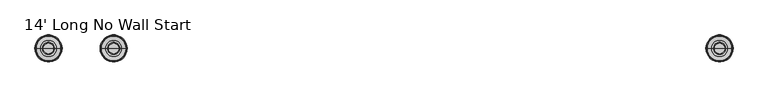
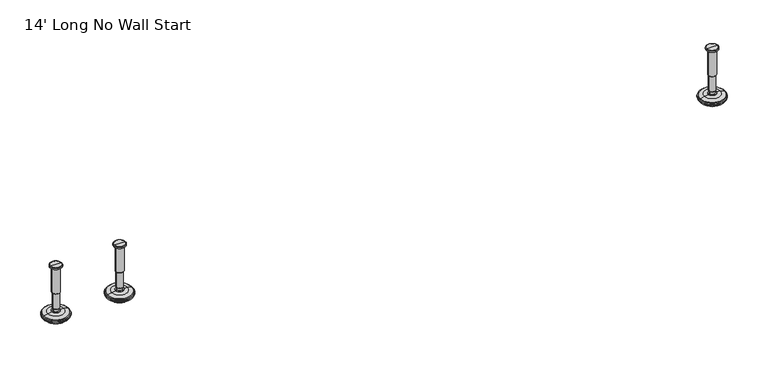
"""IFC4 building model written with IfcOpenShell, lengths in millimetres: furniture geometry, 14' Long No Wall Start."""

from ifc_helpers import new_model, si_unit, frame, origin, place, context, project, spatial, polyline, circle_curve, source, transform, mapped, element, save
from ifc_brep_helpers import plane_surface, cylinder_surface, revolved_surface, advanced_brep


def furniture_14_long_no_wall_start_71ae9f6e(model_context):
    return source(origin(), model_context, "Body", "AdvancedBrep", [
        advanced_brep(
        [(1009.4635677, 0.0, 101.6), (1018.4414891, 0.0, 101.6), (1000.4856463, 0.0, 101.6), (995.3593278, 0.0, 0.0206943), (1023.5678076, 0.0, 0.0206943), (1009.4635677, 0.0, 0.0206943), (990.481296, 0.0, 1.4194474), (1028.4458394, 0.0, 1.4194474), (986.719381, 0.0, 4.7394056), (1032.2077544, 0.0, 4.7394056), (985.6019314, 0.0, 7.5051905), (1033.325204, 0.0, 7.5051905), (985.6019314, 0.0, 8.3065967), (1033.325204, 0.0, 8.3065967), (986.4443346, 0.0, 9.8469348), (1032.4828008, 0.0, 9.8469348), (987.5444772, 0.0, 10.8375077), (1031.3826582, 0.0, 10.8375077), (994.8481724, 0.0, 12.7338946), (1024.078963, 0.0, 12.7338946), (1002.2663238, 0.0, 13.3828987), (1016.6608116, 0.0, 13.3828987), (1002.2663238, 0.0, 14.1772758), (1016.6608116, 0.0, 14.1772758), (1004.6631166, 0.0, 14.1772758), (1014.2640188, 0.0, 14.1772758), (1004.6631166, 0.0, 18.8098403), (1014.2640188, 0.0, 18.8098403), (1003.647264, 0.0, 19.8256929), (1015.2798714, 0.0, 19.8256929), (1003.647264, 0.0, 48.3056352), (1015.2798714, 0.0, 48.3056352), (1002.4237361, 0.0, 49.9293116), (1016.5033993, 0.0, 49.9293116), (1002.4237361, 0.0, 97.327223), (1016.5033993, 0.0, 97.327223), (1001.5426317, 0.0, 97.6479188), (1017.3845037, 0.0, 97.6479188), (1000.4936428, 0.0, 97.6479188), (1018.4334926, 0.0, 97.6479188), (998.8286129, 0.0, 98.6092242), (1020.0985225, 0.0, 98.6092242), (998.8286129, 0.0, 100.6043539), (1020.0985225, 0.0, 100.6043539)],
        [
            (0, 1),
            (1, 2, circle_curve(frame((1009.4635677, 0.0, 101.6), z_axis=(0.0, 0.0, 1.0), x_axis=(1.0, 0.0, 0.0)), 8.9779214)),
            (2, 0),
            (2, 1, circle_curve(frame((1009.4635677, 0.0, 101.6), z_axis=(0.0, 0.0, 1.0), x_axis=(1.0, 0.0, 0.0)), 8.9779214)),
            (3, 4, circle_curve(frame((1009.4635677, 0.0, 0.0206943), z_axis=(0.0, 0.0, -1.0), x_axis=(1.0, 0.0, 0.0)), 14.1042399)),
            (4, 5),
            (5, 3),
            (4, 3, circle_curve(frame((1009.4635677, 0.0, 0.0206943), z_axis=(0.0, 0.0, -1.0), x_axis=(1.0, 0.0, 0.0)), 14.1042399)),
            (6, 7, circle_curve(frame((1009.4635677, 0.0, 1.4194474), z_axis=(0.0, 0.0, -1.0), x_axis=(1.0, 0.0, 0.0)), 18.9822717)),
            (7, 4),
            (3, 6),
            (7, 6, circle_curve(frame((1009.4635677, 0.0, 1.4194474), z_axis=(0.0, 0.0, -1.0), x_axis=(1.0, 0.0, 0.0)), 18.9822717)),
            (8, 9, circle_curve(frame((1009.4635677, 0.0, 4.7394056), z_axis=(0.0, 0.0, -1.0), x_axis=(1.0, 0.0, 0.0)), 22.7441867)),
            (9, 7),
            (6, 8),
            (9, 8, circle_curve(frame((1009.4635677, 0.0, 4.7394056), z_axis=(0.0, 0.0, -1.0), x_axis=(1.0, 0.0, 0.0)), 22.7441867)),
            (10, 11, circle_curve(frame((1009.4635677, 0.0, 7.5051905), z_axis=(0.0, 0.0, -1.0), x_axis=(1.0, 0.0, 0.0)), 23.8616363)),
            (11, 9),
            (8, 10),
            (11, 10, circle_curve(frame((1009.4635677, 0.0, 7.5051905), z_axis=(0.0, 0.0, -1.0), x_axis=(1.0, 0.0, 0.0)), 23.8616363)),
            (12, 13, circle_curve(frame((1009.4635677, 0.0, 8.3065967), z_axis=(0.0, 0.0, -1.0), x_axis=(1.0, 0.0, 0.0)), 23.8616363)),
            (13, 11),
            (10, 12),
            (13, 12, circle_curve(frame((1009.4635677, 0.0, 8.3065967), z_axis=(0.0, 0.0, -1.0), x_axis=(1.0, 0.0, 0.0)), 23.8616363)),
            (14, 15, circle_curve(frame((1009.4635677, 0.0, 9.8469348), z_axis=(0.0, 0.0, -1.0), x_axis=(1.0, 0.0, 0.0)), 23.0192331)),
            (15, 13),
            (12, 14),
            (15, 14, circle_curve(frame((1009.4635677, 0.0, 9.8469348), z_axis=(0.0, 0.0, -1.0), x_axis=(1.0, 0.0, 0.0)), 23.0192331)),
            (16, 17, circle_curve(frame((1009.4635677, 0.0, 10.8375077), z_axis=(0.0, 0.0, -1.0), x_axis=(1.0, 0.0, 0.0)), 21.9190905)),
            (17, 15),
            (14, 16),
            (17, 16, circle_curve(frame((1009.4635677, 0.0, 10.8375077), z_axis=(0.0, 0.0, -1.0), x_axis=(1.0, 0.0, 0.0)), 21.9190905)),
            (18, 19, circle_curve(frame((1009.4635677, 0.0, 12.7338946), z_axis=(0.0, 0.0, -1.0), x_axis=(1.0, 0.0, 0.0)), 14.6153953)),
            (19, 17),
            (16, 18),
            (19, 18, circle_curve(frame((1009.4635677, 0.0, 12.7338946), z_axis=(0.0, 0.0, -1.0), x_axis=(1.0, 0.0, 0.0)), 14.6153953)),
            (20, 21, circle_curve(frame((1009.4635677, 0.0, 13.3828987), z_axis=(0.0, 0.0, -1.0), x_axis=(1.0, 0.0, 0.0)), 7.1972439)),
            (21, 19),
            (18, 20),
            (21, 20, circle_curve(frame((1009.4635677, 0.0, 13.3828987), z_axis=(0.0, 0.0, -1.0), x_axis=(1.0, 0.0, 0.0)), 7.1972439)),
            (22, 23, circle_curve(frame((1009.4635677, 0.0, 14.1772758), z_axis=(0.0, 0.0, -1.0), x_axis=(1.0, 0.0, 0.0)), 7.1972439)),
            (23, 21),
            (20, 22),
            (23, 22, circle_curve(frame((1009.4635677, 0.0, 14.1772758), z_axis=(0.0, 0.0, -1.0), x_axis=(1.0, 0.0, 0.0)), 7.1972439)),
            (24, 25, circle_curve(frame((1009.4635677, 0.0, 14.1772758), z_axis=(0.0, 0.0, -1.0), x_axis=(1.0, 0.0, 0.0)), 4.8004511)),
            (25, 23),
            (22, 24),
            (25, 24, circle_curve(frame((1009.4635677, 0.0, 14.1772758), z_axis=(0.0, 0.0, -1.0), x_axis=(1.0, 0.0, 0.0)), 4.8004511)),
            (26, 27, circle_curve(frame((1009.4635677, 0.0, 18.8098403), z_axis=(0.0, 0.0, -1.0), x_axis=(1.0, 0.0, 0.0)), 4.8004511)),
            (27, 25),
            (24, 26),
            (27, 26, circle_curve(frame((1009.4635677, 0.0, 18.8098403), z_axis=(0.0, 0.0, -1.0), x_axis=(1.0, 0.0, 0.0)), 4.8004511)),
            (28, 29, circle_curve(frame((1009.4635677, 0.0, 19.8256929), z_axis=(0.0, 0.0, -1.0), x_axis=(1.0, 0.0, 0.0)), 5.8163037)),
            (29, 27),
            (26, 28),
            (29, 28, circle_curve(frame((1009.4635677, 0.0, 19.8256929), z_axis=(0.0, 0.0, -1.0), x_axis=(1.0, 0.0, 0.0)), 5.8163037)),
            (30, 31, circle_curve(frame((1009.4635677, 0.0, 48.3056352), z_axis=(0.0, 0.0, -1.0), x_axis=(1.0, 0.0, 0.0)), 5.8163037)),
            (31, 29),
            (28, 30),
            (31, 30, circle_curve(frame((1009.4635677, 0.0, 48.3056352), z_axis=(0.0, 0.0, -1.0), x_axis=(1.0, 0.0, 0.0)), 5.8163037)),
            (32, 33, circle_curve(frame((1009.4635677, 0.0, 49.9293116), z_axis=(0.0, 0.0, -1.0), x_axis=(1.0, 0.0, 0.0)), 7.0398316)),
            (33, 31),
            (30, 32),
            (33, 32, circle_curve(frame((1009.4635677, 0.0, 49.9293116), z_axis=(0.0, 0.0, -1.0), x_axis=(1.0, 0.0, 0.0)), 7.0398316)),
            (34, 35, circle_curve(frame((1009.4635677, 0.0, 97.327223), z_axis=(0.0, 0.0, -1.0), x_axis=(1.0, 0.0, 0.0)), 7.0398316)),
            (35, 33),
            (32, 34),
            (35, 34, circle_curve(frame((1009.4635677, 0.0, 97.327223), z_axis=(0.0, 0.0, -1.0), x_axis=(1.0, 0.0, 0.0)), 7.0398316)),
            (36, 37, circle_curve(frame((1009.4635677, 0.0, 97.6479188), z_axis=(0.0, 0.0, -1.0), x_axis=(1.0, 0.0, 0.0)), 7.920936)),
            (37, 35),
            (34, 36),
            (37, 36, circle_curve(frame((1009.4635677, 0.0, 97.6479188), z_axis=(0.0, 0.0, -1.0), x_axis=(1.0, 0.0, 0.0)), 7.920936)),
            (38, 39, circle_curve(frame((1009.4635677, 0.0, 97.6479188), z_axis=(0.0, 0.0, -1.0), x_axis=(1.0, 0.0, 0.0)), 8.9699249)),
            (39, 37),
            (36, 38),
            (39, 38, circle_curve(frame((1009.4635677, 0.0, 97.6479188), z_axis=(0.0, 0.0, -1.0), x_axis=(1.0, 0.0, 0.0)), 8.9699249)),
            (40, 41, circle_curve(frame((1009.4635677, 0.0, 98.6092242), z_axis=(0.0, 0.0, -1.0), x_axis=(1.0, 0.0, 0.0)), 10.6349548)),
            (41, 39),
            (38, 40),
            (41, 40, circle_curve(frame((1009.4635677, 0.0, 98.6092242), z_axis=(0.0, 0.0, -1.0), x_axis=(1.0, 0.0, 0.0)), 10.6349548)),
            (42, 43, circle_curve(frame((1009.4635677, 0.0, 100.6043539), z_axis=(0.0, 0.0, -1.0), x_axis=(1.0, 0.0, 0.0)), 10.6349548)),
            (43, 41),
            (40, 42),
            (43, 42, circle_curve(frame((1009.4635677, 0.0, 100.6043539), z_axis=(0.0, 0.0, -1.0), x_axis=(1.0, 0.0, 0.0)), 10.6349548)),
            (1, 43),
            (42, 2),
        ],
        [
            plane_surface(frame((1009.4635677, 0.0, 101.6), z_axis=(0.0, 0.0, 1.0), x_axis=(1.0, 0.0, 0.0))),
            plane_surface(frame((1009.4635677, 0.0, 0.0206943), z_axis=(0.0, 0.0, -1.0), x_axis=(1.0, 0.0, 0.0))),
            revolved_surface(polyline([(1023.5678076, 0.0, 0.0206943), (1028.4458394, 0.0, 1.4194474)]), (1009.4635677, 0.0, 101.6), (0.0, 0.0, 1.0)),
            revolved_surface(polyline([(1028.4458394, 0.0, 1.4194474), (1032.2077544, 0.0, 4.7394056)]), (1009.4635677, 0.0, 101.6), (0.0, 0.0, 1.0)),
            revolved_surface(polyline([(1032.2077544, 0.0, 4.7394056), (1033.325204, 0.0, 7.5051905)]), (1009.4635677, 0.0, 101.6), (0.0, 0.0, 1.0)),
            cylinder_surface(frame((1009.4635677, 0.0, 101.6), z_axis=(0.0, 0.0, 1.0), x_axis=(1.0, 0.0, 0.0)), 23.8616363),
            revolved_surface(polyline([(1033.325204, 0.0, 8.3065967), (1032.4828008, 0.0, 9.8469348)]), (1009.4635677, 0.0, 101.6), (0.0, 0.0, 1.0)),
            revolved_surface(polyline([(1032.4828008, 0.0, 9.8469348), (1031.3826582, 0.0, 10.8375077)]), (1009.4635677, 0.0, 101.6), (0.0, 0.0, 1.0)),
            revolved_surface(polyline([(1031.3826582, 0.0, 10.8375077), (1024.078963, 0.0, 12.7338946)]), (1009.4635677, 0.0, 101.6), (0.0, 0.0, 1.0)),
            revolved_surface(polyline([(1024.078963, 0.0, 12.7338946), (1016.6608116, 0.0, 13.3828987)]), (1009.4635677, 0.0, 101.6), (0.0, 0.0, 1.0)),
            cylinder_surface(frame((1009.4635677, 0.0, 101.6), z_axis=(0.0, 0.0, 1.0), x_axis=(1.0, 0.0, 0.0)), 7.1972439),
            plane_surface(frame((1009.4635677, 0.0, 14.1772758), z_axis=(0.0, 0.0, 1.0), x_axis=(1.0, 0.0, 0.0))),
            cylinder_surface(frame((1009.4635677, 0.0, 101.6), z_axis=(0.0, 0.0, 1.0), x_axis=(1.0, 0.0, 0.0)), 4.8004511),
            revolved_surface(polyline([(1014.2640188, 0.0, 18.8098403), (1015.2798714, 0.0, 19.8256929)]), (1009.4635677, 0.0, 101.6), (0.0, 0.0, 1.0)),
            cylinder_surface(frame((1009.4635677, 0.0, 101.6), z_axis=(0.0, 0.0, 1.0), x_axis=(1.0, 0.0, 0.0)), 5.8163037),
            revolved_surface(polyline([(1015.2798714, 0.0, 48.3056352), (1016.5033993, 0.0, 49.9293116)]), (1009.4635677, 0.0, 101.6), (0.0, 0.0, 1.0)),
            cylinder_surface(frame((1009.4635677, 0.0, 101.6), z_axis=(0.0, 0.0, 1.0), x_axis=(1.0, 0.0, 0.0)), 7.0398316),
            revolved_surface(polyline([(1016.5033993, 0.0, 97.327223), (1017.3845037, 0.0, 97.6479188)]), (1009.4635677, 0.0, 101.6), (0.0, 0.0, 1.0)),
            plane_surface(frame((1009.4635677, 0.0, 97.6479188), z_axis=(0.0, 0.0, -1.0), x_axis=(1.0, 0.0, 0.0))),
            revolved_surface(polyline([(1018.4334926, 0.0, 97.6479188), (1020.0985225, 0.0, 98.6092242)]), (1009.4635677, 0.0, 101.6), (0.0, 0.0, 1.0)),
            cylinder_surface(frame((1009.4635677, 0.0, 101.6), z_axis=(0.0, 0.0, 1.0), x_axis=(1.0, 0.0, 0.0)), 10.6349548),
            revolved_surface(polyline([(1020.0985225, 0.0, 100.6043539), (1018.4414891, 0.0, 101.6)]), (1009.4635677, 0.0, 101.6), (0.0, 0.0, 1.0)),
        ],
        [
            (0, [[1, 2, 3]]),
            (0, [[-3, 4, -1]]),
            (1, [[5, 6, 7]]),
            (1, [[8, -7, -6]]),
            (2, [[9, 10, -5, 11]]),
            (2, [[12, -11, -8, -10]]),
            (3, [[13, 14, -9, 15]]),
            (3, [[16, -15, -12, -14]]),
            (4, [[17, 18, -13, 19]]),
            (4, [[20, -19, -16, -18]]),
            (5, [[21, 22, -17, 23]]),
            (5, [[24, -23, -20, -22]]),
            (6, [[25, 26, -21, 27]]),
            (6, [[28, -27, -24, -26]]),
            (7, [[29, 30, -25, 31]]),
            (7, [[32, -31, -28, -30]]),
            (8, [[33, 34, -29, 35]]),
            (8, [[36, -35, -32, -34]]),
            (9, [[37, 38, -33, 39]]),
            (9, [[40, -39, -36, -38]]),
            (10, [[41, 42, -37, 43]]),
            (10, [[44, -43, -40, -42]]),
            (11, [[45, 46, -41, 47]]),
            (11, [[48, -47, -44, -46]]),
            (12, [[49, 50, -45, 51]]),
            (12, [[52, -51, -48, -50]]),
            (13, [[53, 54, -49, 55]]),
            (13, [[56, -55, -52, -54]]),
            (14, [[57, 58, -53, 59]]),
            (14, [[60, -59, -56, -58]]),
            (15, [[61, 62, -57, 63]]),
            (15, [[64, -63, -60, -62]]),
            (16, [[65, 66, -61, 67]]),
            (16, [[68, -67, -64, -66]]),
            (17, [[69, 70, -65, 71]]),
            (17, [[72, -71, -68, -70]]),
            (18, [[73, 74, -69, 75]]),
            (18, [[76, -75, -72, -74]]),
            (19, [[77, 78, -73, 79]]),
            (19, [[80, -79, -76, -78]]),
            (20, [[81, 82, -77, 83]]),
            (20, [[84, -83, -80, -82]]),
            (21, [[-2, 85, -81, 86]]),
            (21, [[-4, -86, -84, -85]]),
        ],
    ),
        advanced_brep(
        [(1124.1364323, 0.0, 101.6), (1133.1143537, 0.0, 101.6), (1115.1585109, 0.0, 101.6), (1138.2406722, 0.0, 0.0206943), (1124.1364323, 0.0, 0.0206943), (1110.0321924, 0.0, 0.0206943), (1143.118704, 0.0, 1.4194474), (1105.1541606, 0.0, 1.4194474), (1146.880619, 0.0, 4.7394056), (1101.3922456, 0.0, 4.7394056), (1147.9980686, 0.0, 7.5051905), (1100.274796, 0.0, 7.5051905), (1147.9980686, 0.0, 8.3065967), (1100.274796, 0.0, 8.3065967), (1147.1556654, 0.0, 9.8469348), (1101.1171992, 0.0, 9.8469348), (1146.0555228, 0.0, 10.8375077), (1102.2173418, 0.0, 10.8375077), (1138.7518276, 0.0, 12.7338946), (1109.521037, 0.0, 12.7338946), (1131.3336762, 0.0, 13.3828987), (1116.9391884, 0.0, 13.3828987), (1131.3336762, 0.0, 14.1772758), (1116.9391884, 0.0, 14.1772758), (1128.9368834, 0.0, 14.1772758), (1119.3359812, 0.0, 14.1772758), (1128.9368834, 0.0, 18.8098403), (1119.3359812, 0.0, 18.8098403), (1129.952736, 0.0, 19.8256929), (1118.3201286, 0.0, 19.8256929), (1129.952736, 0.0, 48.3056352), (1118.3201286, 0.0, 48.3056352), (1131.1762639, 0.0, 49.9293116), (1117.0966007, 0.0, 49.9293116), (1131.1762639, 0.0, 97.327223), (1117.0966007, 0.0, 97.327223), (1132.0573683, 0.0, 97.6479188), (1116.2154963, 0.0, 97.6479188), (1133.1063572, 0.0, 97.6479188), (1115.1665074, 0.0, 97.6479188), (1134.7713871, 0.0, 98.6092242), (1113.5014775, 0.0, 98.6092242), (1134.7713871, 0.0, 100.6043539), (1113.5014775, 0.0, 100.6043539)],
        [
            (0, 1),
            (1, 2, circle_curve(frame((1124.1364323, 0.0, 101.6), z_axis=(0.0, 0.0, 1.0), x_axis=(-1.0, 0.0, 0.0)), 8.9779214)),
            (2, 0),
            (2, 1, circle_curve(frame((1124.1364323, 0.0, 101.6), z_axis=(0.0, 0.0, 1.0), x_axis=(-1.0, 0.0, 0.0)), 8.9779214)),
            (3, 4),
            (4, 5),
            (5, 3, circle_curve(frame((1124.1364323, 0.0, 0.0206943), z_axis=(0.0, 0.0, -1.0), x_axis=(-1.0, 0.0, 0.0)), 14.1042399)),
            (3, 5, circle_curve(frame((1124.1364323, 0.0, 0.0206943), z_axis=(0.0, 0.0, -1.0), x_axis=(-1.0, 0.0, 0.0)), 14.1042399)),
            (6, 3),
            (5, 7),
            (7, 6, circle_curve(frame((1124.1364323, 0.0, 1.4194474), z_axis=(0.0, 0.0, -1.0), x_axis=(-1.0, 0.0, 0.0)), 18.9822717)),
            (6, 7, circle_curve(frame((1124.1364323, 0.0, 1.4194474), z_axis=(0.0, 0.0, -1.0), x_axis=(-1.0, 0.0, 0.0)), 18.9822717)),
            (8, 6),
            (7, 9),
            (9, 8, circle_curve(frame((1124.1364323, 0.0, 4.7394056), z_axis=(0.0, 0.0, -1.0), x_axis=(-1.0, 0.0, 0.0)), 22.7441867)),
            (8, 9, circle_curve(frame((1124.1364323, 0.0, 4.7394056), z_axis=(0.0, 0.0, -1.0), x_axis=(-1.0, 0.0, 0.0)), 22.7441867)),
            (10, 8),
            (9, 11),
            (11, 10, circle_curve(frame((1124.1364323, 0.0, 7.5051905), z_axis=(0.0, 0.0, -1.0), x_axis=(-1.0, 0.0, 0.0)), 23.8616363)),
            (10, 11, circle_curve(frame((1124.1364323, 0.0, 7.5051905), z_axis=(0.0, 0.0, -1.0), x_axis=(-1.0, 0.0, 0.0)), 23.8616363)),
            (12, 10),
            (11, 13),
            (13, 12, circle_curve(frame((1124.1364323, 0.0, 8.3065967), z_axis=(0.0, 0.0, -1.0), x_axis=(-1.0, 0.0, 0.0)), 23.8616363)),
            (12, 13, circle_curve(frame((1124.1364323, 0.0, 8.3065967), z_axis=(0.0, 0.0, -1.0), x_axis=(-1.0, 0.0, 0.0)), 23.8616363)),
            (14, 12),
            (13, 15),
            (15, 14, circle_curve(frame((1124.1364323, 0.0, 9.8469348), z_axis=(0.0, 0.0, -1.0), x_axis=(-1.0, 0.0, 0.0)), 23.0192331)),
            (14, 15, circle_curve(frame((1124.1364323, 0.0, 9.8469348), z_axis=(0.0, 0.0, -1.0), x_axis=(-1.0, 0.0, 0.0)), 23.0192331)),
            (16, 14),
            (15, 17),
            (17, 16, circle_curve(frame((1124.1364323, 0.0, 10.8375077), z_axis=(0.0, 0.0, -1.0), x_axis=(-1.0, 0.0, 0.0)), 21.9190905)),
            (16, 17, circle_curve(frame((1124.1364323, 0.0, 10.8375077), z_axis=(0.0, 0.0, -1.0), x_axis=(-1.0, 0.0, 0.0)), 21.9190905)),
            (18, 16),
            (17, 19),
            (19, 18, circle_curve(frame((1124.1364323, 0.0, 12.7338946), z_axis=(0.0, 0.0, -1.0), x_axis=(-1.0, 0.0, 0.0)), 14.6153953)),
            (18, 19, circle_curve(frame((1124.1364323, 0.0, 12.7338946), z_axis=(0.0, 0.0, -1.0), x_axis=(-1.0, 0.0, 0.0)), 14.6153953)),
            (20, 18),
            (19, 21),
            (21, 20, circle_curve(frame((1124.1364323, 0.0, 13.3828987), z_axis=(0.0, 0.0, -1.0), x_axis=(-1.0, 0.0, 0.0)), 7.1972439)),
            (20, 21, circle_curve(frame((1124.1364323, 0.0, 13.3828987), z_axis=(0.0, 0.0, -1.0), x_axis=(-1.0, 0.0, 0.0)), 7.1972439)),
            (22, 20),
            (21, 23),
            (23, 22, circle_curve(frame((1124.1364323, 0.0, 14.1772758), z_axis=(0.0, 0.0, -1.0), x_axis=(-1.0, 0.0, 0.0)), 7.1972439)),
            (22, 23, circle_curve(frame((1124.1364323, 0.0, 14.1772758), z_axis=(0.0, 0.0, -1.0), x_axis=(-1.0, 0.0, 0.0)), 7.1972439)),
            (24, 22),
            (23, 25),
            (25, 24, circle_curve(frame((1124.1364323, 0.0, 14.1772758), z_axis=(0.0, 0.0, -1.0), x_axis=(-1.0, 0.0, 0.0)), 4.8004511)),
            (24, 25, circle_curve(frame((1124.1364323, 0.0, 14.1772758), z_axis=(0.0, 0.0, -1.0), x_axis=(-1.0, 0.0, 0.0)), 4.8004511)),
            (26, 24),
            (25, 27),
            (27, 26, circle_curve(frame((1124.1364323, 0.0, 18.8098403), z_axis=(0.0, 0.0, -1.0), x_axis=(-1.0, 0.0, 0.0)), 4.8004511)),
            (26, 27, circle_curve(frame((1124.1364323, 0.0, 18.8098403), z_axis=(0.0, 0.0, -1.0), x_axis=(-1.0, 0.0, 0.0)), 4.8004511)),
            (28, 26),
            (27, 29),
            (29, 28, circle_curve(frame((1124.1364323, 0.0, 19.8256929), z_axis=(0.0, 0.0, -1.0), x_axis=(-1.0, 0.0, 0.0)), 5.8163037)),
            (28, 29, circle_curve(frame((1124.1364323, 0.0, 19.8256929), z_axis=(0.0, 0.0, -1.0), x_axis=(-1.0, 0.0, 0.0)), 5.8163037)),
            (30, 28),
            (29, 31),
            (31, 30, circle_curve(frame((1124.1364323, 0.0, 48.3056352), z_axis=(0.0, 0.0, -1.0), x_axis=(-1.0, 0.0, 0.0)), 5.8163037)),
            (30, 31, circle_curve(frame((1124.1364323, 0.0, 48.3056352), z_axis=(0.0, 0.0, -1.0), x_axis=(-1.0, 0.0, 0.0)), 5.8163037)),
            (32, 30),
            (31, 33),
            (33, 32, circle_curve(frame((1124.1364323, 0.0, 49.9293116), z_axis=(0.0, 0.0, -1.0), x_axis=(-1.0, 0.0, 0.0)), 7.0398316)),
            (32, 33, circle_curve(frame((1124.1364323, 0.0, 49.9293116), z_axis=(0.0, 0.0, -1.0), x_axis=(-1.0, 0.0, 0.0)), 7.0398316)),
            (34, 32),
            (33, 35),
            (35, 34, circle_curve(frame((1124.1364323, 0.0, 97.327223), z_axis=(0.0, 0.0, -1.0), x_axis=(-1.0, 0.0, 0.0)), 7.0398316)),
            (34, 35, circle_curve(frame((1124.1364323, 0.0, 97.327223), z_axis=(0.0, 0.0, -1.0), x_axis=(-1.0, 0.0, 0.0)), 7.0398316)),
            (36, 34),
            (35, 37),
            (37, 36, circle_curve(frame((1124.1364323, 0.0, 97.6479188), z_axis=(0.0, 0.0, -1.0), x_axis=(-1.0, 0.0, 0.0)), 7.920936)),
            (36, 37, circle_curve(frame((1124.1364323, 0.0, 97.6479188), z_axis=(0.0, 0.0, -1.0), x_axis=(-1.0, 0.0, 0.0)), 7.920936)),
            (38, 36),
            (37, 39),
            (39, 38, circle_curve(frame((1124.1364323, 0.0, 97.6479188), z_axis=(0.0, 0.0, -1.0), x_axis=(-1.0, 0.0, 0.0)), 8.9699249)),
            (38, 39, circle_curve(frame((1124.1364323, 0.0, 97.6479188), z_axis=(0.0, 0.0, -1.0), x_axis=(-1.0, 0.0, 0.0)), 8.9699249)),
            (40, 38),
            (39, 41),
            (41, 40, circle_curve(frame((1124.1364323, 0.0, 98.6092242), z_axis=(0.0, 0.0, -1.0), x_axis=(-1.0, 0.0, 0.0)), 10.6349548)),
            (40, 41, circle_curve(frame((1124.1364323, 0.0, 98.6092242), z_axis=(0.0, 0.0, -1.0), x_axis=(-1.0, 0.0, 0.0)), 10.6349548)),
            (42, 40),
            (41, 43),
            (43, 42, circle_curve(frame((1124.1364323, 0.0, 100.6043539), z_axis=(0.0, 0.0, -1.0), x_axis=(-1.0, 0.0, 0.0)), 10.6349548)),
            (42, 43, circle_curve(frame((1124.1364323, 0.0, 100.6043539), z_axis=(0.0, 0.0, -1.0), x_axis=(-1.0, 0.0, 0.0)), 10.6349548)),
            (1, 42),
            (43, 2),
        ],
        [
            plane_surface(frame((1124.1364323, 0.0, 101.6), z_axis=(0.0, 0.0, 1.0), x_axis=(-1.0, 0.0, 0.0))),
            plane_surface(frame((1124.1364323, 0.0, 0.0206943), z_axis=(0.0, 0.0, -1.0), x_axis=(-1.0, 0.0, 0.0))),
            revolved_surface(polyline([(1110.0321924, 0.0, 0.0206943), (1105.1541606, 0.0, 1.4194474)]), (1124.1364323, 0.0, 101.6), (0.0, 0.0, 1.0)),
            revolved_surface(polyline([(1105.1541606, 0.0, 1.4194474), (1101.3922456, 0.0, 4.7394056)]), (1124.1364323, 0.0, 101.6), (0.0, 0.0, 1.0)),
            revolved_surface(polyline([(1101.3922456, 0.0, 4.7394056), (1100.274796, 0.0, 7.5051905)]), (1124.1364323, 0.0, 101.6), (0.0, 0.0, 1.0)),
            cylinder_surface(frame((1124.1364323, 0.0, 101.6), z_axis=(0.0, 0.0, 1.0), x_axis=(-1.0, 0.0, 0.0)), 23.8616363),
            revolved_surface(polyline([(1100.274796, 0.0, 8.3065967), (1101.1171992, 0.0, 9.8469348)]), (1124.1364323, 0.0, 101.6), (0.0, 0.0, 1.0)),
            revolved_surface(polyline([(1101.1171992, 0.0, 9.8469348), (1102.2173418, 0.0, 10.8375077)]), (1124.1364323, 0.0, 101.6), (0.0, 0.0, 1.0)),
            revolved_surface(polyline([(1102.2173418, 0.0, 10.8375077), (1109.521037, 0.0, 12.7338946)]), (1124.1364323, 0.0, 101.6), (0.0, 0.0, 1.0)),
            revolved_surface(polyline([(1109.521037, 0.0, 12.7338946), (1116.9391884, 0.0, 13.3828987)]), (1124.1364323, 0.0, 101.6), (0.0, 0.0, 1.0)),
            cylinder_surface(frame((1124.1364323, 0.0, 101.6), z_axis=(0.0, 0.0, 1.0), x_axis=(-1.0, 0.0, 0.0)), 7.1972439),
            plane_surface(frame((1124.1364323, 0.0, 14.1772758), z_axis=(0.0, 0.0, 1.0), x_axis=(-1.0, 0.0, 0.0))),
            cylinder_surface(frame((1124.1364323, 0.0, 101.6), z_axis=(0.0, 0.0, 1.0), x_axis=(-1.0, 0.0, 0.0)), 4.8004511),
            revolved_surface(polyline([(1119.3359812, 0.0, 18.8098403), (1118.3201286, 0.0, 19.8256929)]), (1124.1364323, 0.0, 101.6), (0.0, 0.0, 1.0)),
            cylinder_surface(frame((1124.1364323, 0.0, 101.6), z_axis=(0.0, 0.0, 1.0), x_axis=(-1.0, 0.0, 0.0)), 5.8163037),
            revolved_surface(polyline([(1118.3201286, 0.0, 48.3056352), (1117.0966007, 0.0, 49.9293116)]), (1124.1364323, 0.0, 101.6), (0.0, 0.0, 1.0)),
            cylinder_surface(frame((1124.1364323, 0.0, 101.6), z_axis=(0.0, 0.0, 1.0), x_axis=(-1.0, 0.0, 0.0)), 7.0398316),
            revolved_surface(polyline([(1117.0966007, 0.0, 97.327223), (1116.2154963, 0.0, 97.6479188)]), (1124.1364323, 0.0, 101.6), (0.0, 0.0, 1.0)),
            plane_surface(frame((1124.1364323, 0.0, 97.6479188), z_axis=(0.0, 0.0, -1.0), x_axis=(-1.0, 0.0, 0.0))),
            revolved_surface(polyline([(1115.1665074, 0.0, 97.6479188), (1113.5014775, 0.0, 98.6092242)]), (1124.1364323, 0.0, 101.6), (0.0, 0.0, 1.0)),
            cylinder_surface(frame((1124.1364323, 0.0, 101.6), z_axis=(0.0, 0.0, 1.0), x_axis=(-1.0, 0.0, 0.0)), 10.6349548),
            revolved_surface(polyline([(1113.5014775, 0.0, 100.6043539), (1115.1585109, 0.0, 101.6)]), (1124.1364323, 0.0, 101.6), (0.0, 0.0, 1.0)),
        ],
        [
            (0, [[1, 2, 3]]),
            (0, [[-3, 4, -1]]),
            (1, [[5, 6, 7]]),
            (1, [[-6, -5, 8]]),
            (2, [[9, -7, 10, 11]]),
            (2, [[-10, -8, -9, 12]]),
            (3, [[13, -11, 14, 15]]),
            (3, [[-14, -12, -13, 16]]),
            (4, [[17, -15, 18, 19]]),
            (4, [[-18, -16, -17, 20]]),
            (5, [[21, -19, 22, 23]]),
            (5, [[-22, -20, -21, 24]]),
            (6, [[25, -23, 26, 27]]),
            (6, [[-26, -24, -25, 28]]),
            (7, [[29, -27, 30, 31]]),
            (7, [[-30, -28, -29, 32]]),
            (8, [[33, -31, 34, 35]]),
            (8, [[-34, -32, -33, 36]]),
            (9, [[37, -35, 38, 39]]),
            (9, [[-38, -36, -37, 40]]),
            (10, [[41, -39, 42, 43]]),
            (10, [[-42, -40, -41, 44]]),
            (11, [[45, -43, 46, 47]]),
            (11, [[-46, -44, -45, 48]]),
            (12, [[49, -47, 50, 51]]),
            (12, [[-50, -48, -49, 52]]),
            (13, [[53, -51, 54, 55]]),
            (13, [[-54, -52, -53, 56]]),
            (14, [[57, -55, 58, 59]]),
            (14, [[-58, -56, -57, 60]]),
            (15, [[61, -59, 62, 63]]),
            (15, [[-62, -60, -61, 64]]),
            (16, [[65, -63, 66, 67]]),
            (16, [[-66, -64, -65, 68]]),
            (17, [[69, -67, 70, 71]]),
            (17, [[-70, -68, -69, 72]]),
            (18, [[73, -71, 74, 75]]),
            (18, [[-74, -72, -73, 76]]),
            (19, [[77, -75, 78, 79]]),
            (19, [[-78, -76, -77, 80]]),
            (20, [[81, -79, 82, 83]]),
            (20, [[-82, -80, -81, 84]]),
            (21, [[85, -83, 86, -2]]),
            (21, [[-86, -84, -85, -4]]),
        ],
    ),
        advanced_brep(
        [(2190.9364323, 0.0, 101.6), (2199.9143537, 0.0, 101.6), (2181.9585109, 0.0, 101.6), (2205.0406722, 0.0, 0.0206943), (2190.9364323, 0.0, 0.0206943), (2176.8321924, 0.0, 0.0206943), (2209.918704, 0.0, 1.4194474), (2171.9541606, 0.0, 1.4194474), (2213.680619, 0.0, 4.7394056), (2168.1922456, 0.0, 4.7394056), (2214.7980686, 0.0, 7.5051905), (2167.074796, 0.0, 7.5051905), (2214.7980686, 0.0, 8.3065967), (2167.074796, 0.0, 8.3065967), (2213.9556654, 0.0, 9.8469348), (2167.9171992, 0.0, 9.8469348), (2212.8555228, 0.0, 10.8375077), (2169.0173418, 0.0, 10.8375077), (2205.5518276, 0.0, 12.7338946), (2176.321037, 0.0, 12.7338946), (2198.1336762, 0.0, 13.3828987), (2183.7391884, 0.0, 13.3828987), (2198.1336762, 0.0, 14.1772758), (2183.7391884, 0.0, 14.1772758), (2195.7368834, 0.0, 14.1772758), (2186.1359812, 0.0, 14.1772758), (2195.7368834, 0.0, 18.8098403), (2186.1359812, 0.0, 18.8098403), (2196.752736, 0.0, 19.8256929), (2185.1201286, 0.0, 19.8256929), (2196.752736, 0.0, 48.3056352), (2185.1201286, 0.0, 48.3056352), (2197.9762639, 0.0, 49.9293116), (2183.8966007, 0.0, 49.9293116), (2197.9762639, 0.0, 97.327223), (2183.8966007, 0.0, 97.327223), (2198.8573683, 0.0, 97.6479188), (2183.0154963, 0.0, 97.6479188), (2199.9063572, 0.0, 97.6479188), (2181.9665074, 0.0, 97.6479188), (2201.5713871, 0.0, 98.6092242), (2180.3014775, 0.0, 98.6092242), (2201.5713871, 0.0, 100.6043539), (2180.3014775, 0.0, 100.6043539)],
        [
            (0, 1),
            (1, 2, circle_curve(frame((2190.9364323, 0.0, 101.6), z_axis=(0.0, 0.0, 1.0), x_axis=(-1.0, 0.0, 0.0)), 8.9779214)),
            (2, 0),
            (2, 1, circle_curve(frame((2190.9364323, 0.0, 101.6), z_axis=(0.0, 0.0, 1.0), x_axis=(-1.0, 0.0, 0.0)), 8.9779214)),
            (3, 4),
            (4, 5),
            (5, 3, circle_curve(frame((2190.9364323, 0.0, 0.0206943), z_axis=(0.0, 0.0, -1.0), x_axis=(-1.0, 0.0, 0.0)), 14.1042399)),
            (3, 5, circle_curve(frame((2190.9364323, 0.0, 0.0206943), z_axis=(0.0, 0.0, -1.0), x_axis=(-1.0, 0.0, 0.0)), 14.1042399)),
            (6, 3),
            (5, 7),
            (7, 6, circle_curve(frame((2190.9364323, 0.0, 1.4194474), z_axis=(0.0, 0.0, -1.0), x_axis=(-1.0, 0.0, 0.0)), 18.9822717)),
            (6, 7, circle_curve(frame((2190.9364323, 0.0, 1.4194474), z_axis=(0.0, 0.0, -1.0), x_axis=(-1.0, 0.0, 0.0)), 18.9822717)),
            (8, 6),
            (7, 9),
            (9, 8, circle_curve(frame((2190.9364323, 0.0, 4.7394056), z_axis=(0.0, 0.0, -1.0), x_axis=(-1.0, 0.0, 0.0)), 22.7441867)),
            (8, 9, circle_curve(frame((2190.9364323, 0.0, 4.7394056), z_axis=(0.0, 0.0, -1.0), x_axis=(-1.0, 0.0, 0.0)), 22.7441867)),
            (10, 8),
            (9, 11),
            (11, 10, circle_curve(frame((2190.9364323, 0.0, 7.5051905), z_axis=(0.0, 0.0, -1.0), x_axis=(-1.0, 0.0, 0.0)), 23.8616363)),
            (10, 11, circle_curve(frame((2190.9364323, 0.0, 7.5051905), z_axis=(0.0, 0.0, -1.0), x_axis=(-1.0, 0.0, 0.0)), 23.8616363)),
            (12, 10),
            (11, 13),
            (13, 12, circle_curve(frame((2190.9364323, 0.0, 8.3065967), z_axis=(0.0, 0.0, -1.0), x_axis=(-1.0, 0.0, 0.0)), 23.8616363)),
            (12, 13, circle_curve(frame((2190.9364323, 0.0, 8.3065967), z_axis=(0.0, 0.0, -1.0), x_axis=(-1.0, 0.0, 0.0)), 23.8616363)),
            (14, 12),
            (13, 15),
            (15, 14, circle_curve(frame((2190.9364323, 0.0, 9.8469348), z_axis=(0.0, 0.0, -1.0), x_axis=(-1.0, 0.0, 0.0)), 23.0192331)),
            (14, 15, circle_curve(frame((2190.9364323, 0.0, 9.8469348), z_axis=(0.0, 0.0, -1.0), x_axis=(-1.0, 0.0, 0.0)), 23.0192331)),
            (16, 14),
            (15, 17),
            (17, 16, circle_curve(frame((2190.9364323, 0.0, 10.8375077), z_axis=(0.0, 0.0, -1.0), x_axis=(-1.0, 0.0, 0.0)), 21.9190905)),
            (16, 17, circle_curve(frame((2190.9364323, 0.0, 10.8375077), z_axis=(0.0, 0.0, -1.0), x_axis=(-1.0, 0.0, 0.0)), 21.9190905)),
            (18, 16),
            (17, 19),
            (19, 18, circle_curve(frame((2190.9364323, 0.0, 12.7338946), z_axis=(0.0, 0.0, -1.0), x_axis=(-1.0, 0.0, 0.0)), 14.6153953)),
            (18, 19, circle_curve(frame((2190.9364323, 0.0, 12.7338946), z_axis=(0.0, 0.0, -1.0), x_axis=(-1.0, 0.0, 0.0)), 14.6153953)),
            (20, 18),
            (19, 21),
            (21, 20, circle_curve(frame((2190.9364323, 0.0, 13.3828987), z_axis=(0.0, 0.0, -1.0), x_axis=(-1.0, 0.0, 0.0)), 7.1972439)),
            (20, 21, circle_curve(frame((2190.9364323, 0.0, 13.3828987), z_axis=(0.0, 0.0, -1.0), x_axis=(-1.0, 0.0, 0.0)), 7.1972439)),
            (22, 20),
            (21, 23),
            (23, 22, circle_curve(frame((2190.9364323, 0.0, 14.1772758), z_axis=(0.0, 0.0, -1.0), x_axis=(-1.0, 0.0, 0.0)), 7.1972439)),
            (22, 23, circle_curve(frame((2190.9364323, 0.0, 14.1772758), z_axis=(0.0, 0.0, -1.0), x_axis=(-1.0, 0.0, 0.0)), 7.1972439)),
            (24, 22),
            (23, 25),
            (25, 24, circle_curve(frame((2190.9364323, 0.0, 14.1772758), z_axis=(0.0, 0.0, -1.0), x_axis=(-1.0, 0.0, 0.0)), 4.8004511)),
            (24, 25, circle_curve(frame((2190.9364323, 0.0, 14.1772758), z_axis=(0.0, 0.0, -1.0), x_axis=(-1.0, 0.0, 0.0)), 4.8004511)),
            (26, 24),
            (25, 27),
            (27, 26, circle_curve(frame((2190.9364323, 0.0, 18.8098403), z_axis=(0.0, 0.0, -1.0), x_axis=(-1.0, 0.0, 0.0)), 4.8004511)),
            (26, 27, circle_curve(frame((2190.9364323, 0.0, 18.8098403), z_axis=(0.0, 0.0, -1.0), x_axis=(-1.0, 0.0, 0.0)), 4.8004511)),
            (28, 26),
            (27, 29),
            (29, 28, circle_curve(frame((2190.9364323, 0.0, 19.8256929), z_axis=(0.0, 0.0, -1.0), x_axis=(-1.0, 0.0, 0.0)), 5.8163037)),
            (28, 29, circle_curve(frame((2190.9364323, 0.0, 19.8256929), z_axis=(0.0, 0.0, -1.0), x_axis=(-1.0, 0.0, 0.0)), 5.8163037)),
            (30, 28),
            (29, 31),
            (31, 30, circle_curve(frame((2190.9364323, 0.0, 48.3056352), z_axis=(0.0, 0.0, -1.0), x_axis=(-1.0, 0.0, 0.0)), 5.8163037)),
            (30, 31, circle_curve(frame((2190.9364323, 0.0, 48.3056352), z_axis=(0.0, 0.0, -1.0), x_axis=(-1.0, 0.0, 0.0)), 5.8163037)),
            (32, 30),
            (31, 33),
            (33, 32, circle_curve(frame((2190.9364323, 0.0, 49.9293116), z_axis=(0.0, 0.0, -1.0), x_axis=(-1.0, 0.0, 0.0)), 7.0398316)),
            (32, 33, circle_curve(frame((2190.9364323, 0.0, 49.9293116), z_axis=(0.0, 0.0, -1.0), x_axis=(-1.0, 0.0, 0.0)), 7.0398316)),
            (34, 32),
            (33, 35),
            (35, 34, circle_curve(frame((2190.9364323, 0.0, 97.327223), z_axis=(0.0, 0.0, -1.0), x_axis=(-1.0, 0.0, 0.0)), 7.0398316)),
            (34, 35, circle_curve(frame((2190.9364323, 0.0, 97.327223), z_axis=(0.0, 0.0, -1.0), x_axis=(-1.0, 0.0, 0.0)), 7.0398316)),
            (36, 34),
            (35, 37),
            (37, 36, circle_curve(frame((2190.9364323, 0.0, 97.6479188), z_axis=(0.0, 0.0, -1.0), x_axis=(-1.0, 0.0, 0.0)), 7.920936)),
            (36, 37, circle_curve(frame((2190.9364323, 0.0, 97.6479188), z_axis=(0.0, 0.0, -1.0), x_axis=(-1.0, 0.0, 0.0)), 7.920936)),
            (38, 36),
            (37, 39),
            (39, 38, circle_curve(frame((2190.9364323, 0.0, 97.6479188), z_axis=(0.0, 0.0, -1.0), x_axis=(-1.0, 0.0, 0.0)), 8.9699249)),
            (38, 39, circle_curve(frame((2190.9364323, 0.0, 97.6479188), z_axis=(0.0, 0.0, -1.0), x_axis=(-1.0, 0.0, 0.0)), 8.9699249)),
            (40, 38),
            (39, 41),
            (41, 40, circle_curve(frame((2190.9364323, 0.0, 98.6092242), z_axis=(0.0, 0.0, -1.0), x_axis=(-1.0, 0.0, 0.0)), 10.6349548)),
            (40, 41, circle_curve(frame((2190.9364323, 0.0, 98.6092242), z_axis=(0.0, 0.0, -1.0), x_axis=(-1.0, 0.0, 0.0)), 10.6349548)),
            (42, 40),
            (41, 43),
            (43, 42, circle_curve(frame((2190.9364323, 0.0, 100.6043539), z_axis=(0.0, 0.0, -1.0), x_axis=(-1.0, 0.0, 0.0)), 10.6349548)),
            (42, 43, circle_curve(frame((2190.9364323, 0.0, 100.6043539), z_axis=(0.0, 0.0, -1.0), x_axis=(-1.0, 0.0, 0.0)), 10.6349548)),
            (1, 42),
            (43, 2),
        ],
        [
            plane_surface(frame((2190.9364323, 0.0, 101.6), z_axis=(0.0, 0.0, 1.0), x_axis=(-1.0, 0.0, 0.0))),
            plane_surface(frame((2190.9364323, 0.0, 0.0206943), z_axis=(0.0, 0.0, -1.0), x_axis=(-1.0, 0.0, 0.0))),
            revolved_surface(polyline([(2176.8321924, 0.0, 0.0206943), (2171.9541606, 0.0, 1.4194474)]), (2190.9364323, 0.0, 101.6), (0.0, 0.0, 1.0)),
            revolved_surface(polyline([(2171.9541606, 0.0, 1.4194474), (2168.1922456, 0.0, 4.7394056)]), (2190.9364323, 0.0, 101.6), (0.0, 0.0, 1.0)),
            revolved_surface(polyline([(2168.1922456, 0.0, 4.7394056), (2167.074796, 0.0, 7.5051905)]), (2190.9364323, 0.0, 101.6), (0.0, 0.0, 1.0)),
            cylinder_surface(frame((2190.9364323, 0.0, 101.6), z_axis=(0.0, 0.0, 1.0), x_axis=(-1.0, 0.0, 0.0)), 23.8616363),
            revolved_surface(polyline([(2167.074796, 0.0, 8.3065967), (2167.9171992, 0.0, 9.8469348)]), (2190.9364323, 0.0, 101.6), (0.0, 0.0, 1.0)),
            revolved_surface(polyline([(2167.9171992, 0.0, 9.8469348), (2169.0173418, 0.0, 10.8375077)]), (2190.9364323, 0.0, 101.6), (0.0, 0.0, 1.0)),
            revolved_surface(polyline([(2169.0173418, 0.0, 10.8375077), (2176.321037, 0.0, 12.7338946)]), (2190.9364323, 0.0, 101.6), (0.0, 0.0, 1.0)),
            revolved_surface(polyline([(2176.321037, 0.0, 12.7338946), (2183.7391884, 0.0, 13.3828987)]), (2190.9364323, 0.0, 101.6), (0.0, 0.0, 1.0)),
            cylinder_surface(frame((2190.9364323, 0.0, 101.6), z_axis=(0.0, 0.0, 1.0), x_axis=(-1.0, 0.0, 0.0)), 7.1972439),
            plane_surface(frame((2190.9364323, 0.0, 14.1772758), z_axis=(0.0, 0.0, 1.0), x_axis=(-1.0, 0.0, 0.0))),
            cylinder_surface(frame((2190.9364323, 0.0, 101.6), z_axis=(0.0, 0.0, 1.0), x_axis=(-1.0, 0.0, 0.0)), 4.8004511),
            revolved_surface(polyline([(2186.1359812, 0.0, 18.8098403), (2185.1201286, 0.0, 19.8256929)]), (2190.9364323, 0.0, 101.6), (0.0, 0.0, 1.0)),
            cylinder_surface(frame((2190.9364323, 0.0, 101.6), z_axis=(0.0, 0.0, 1.0), x_axis=(-1.0, 0.0, 0.0)), 5.8163037),
            revolved_surface(polyline([(2185.1201286, 0.0, 48.3056352), (2183.8966007, 0.0, 49.9293116)]), (2190.9364323, 0.0, 101.6), (0.0, 0.0, 1.0)),
            cylinder_surface(frame((2190.9364323, 0.0, 101.6), z_axis=(0.0, 0.0, 1.0), x_axis=(-1.0, 0.0, 0.0)), 7.0398316),
            revolved_surface(polyline([(2183.8966007, 0.0, 97.327223), (2183.0154963, 0.0, 97.6479188)]), (2190.9364323, 0.0, 101.6), (0.0, 0.0, 1.0)),
            plane_surface(frame((2190.9364323, 0.0, 97.6479188), z_axis=(0.0, 0.0, -1.0), x_axis=(-1.0, 0.0, 0.0))),
            revolved_surface(polyline([(2181.9665074, 0.0, 97.6479188), (2180.3014775, 0.0, 98.6092242)]), (2190.9364323, 0.0, 101.6), (0.0, 0.0, 1.0)),
            cylinder_surface(frame((2190.9364323, 0.0, 101.6), z_axis=(0.0, 0.0, 1.0), x_axis=(-1.0, 0.0, 0.0)), 10.6349548),
            revolved_surface(polyline([(2180.3014775, 0.0, 100.6043539), (2181.9585109, 0.0, 101.6)]), (2190.9364323, 0.0, 101.6), (0.0, 0.0, 1.0)),
        ],
        [
            (0, [[1, 2, 3]]),
            (0, [[-3, 4, -1]]),
            (1, [[5, 6, 7]]),
            (1, [[-6, -5, 8]]),
            (2, [[9, -7, 10, 11]]),
            (2, [[-10, -8, -9, 12]]),
            (3, [[13, -11, 14, 15]]),
            (3, [[-14, -12, -13, 16]]),
            (4, [[17, -15, 18, 19]]),
            (4, [[-18, -16, -17, 20]]),
            (5, [[21, -19, 22, 23]]),
            (5, [[-22, -20, -21, 24]]),
            (6, [[25, -23, 26, 27]]),
            (6, [[-26, -24, -25, 28]]),
            (7, [[29, -27, 30, 31]]),
            (7, [[-30, -28, -29, 32]]),
            (8, [[33, -31, 34, 35]]),
            (8, [[-34, -32, -33, 36]]),
            (9, [[37, -35, 38, 39]]),
            (9, [[-38, -36, -37, 40]]),
            (10, [[41, -39, 42, 43]]),
            (10, [[-42, -40, -41, 44]]),
            (11, [[45, -43, 46, 47]]),
            (11, [[-46, -44, -45, 48]]),
            (12, [[49, -47, 50, 51]]),
            (12, [[-50, -48, -49, 52]]),
            (13, [[53, -51, 54, 55]]),
            (13, [[-54, -52, -53, 56]]),
            (14, [[57, -55, 58, 59]]),
            (14, [[-58, -56, -57, 60]]),
            (15, [[61, -59, 62, 63]]),
            (15, [[-62, -60, -61, 64]]),
            (16, [[65, -63, 66, 67]]),
            (16, [[-66, -64, -65, 68]]),
            (17, [[69, -67, 70, 71]]),
            (17, [[-70, -68, -69, 72]]),
            (18, [[73, -71, 74, 75]]),
            (18, [[-74, -72, -73, 76]]),
            (19, [[77, -75, 78, 79]]),
            (19, [[-78, -76, -77, 80]]),
            (20, [[81, -79, 82, 83]]),
            (20, [[-82, -80, -81, 84]]),
            (21, [[85, -83, 86, -2]]),
            (21, [[-86, -84, -85, -4]]),
        ],
    ),
    ])


if __name__ == "__main__":
    model = new_model("IFC4")
    model_context = context("Model", 3, world=origin())
    ifc_project = project(units=[si_unit("LENGTHUNIT", "METRE", prefix="MILLI")], contexts=[model_context])
    site = spatial("IfcSite", under=ifc_project)
    building = spatial("IfcBuilding", under=site)
    placement = place(None, origin())
    furniture_14_long_no_wall_start_shape = furniture_14_long_no_wall_start_71ae9f6e(model_context)
    element("IfcFurniture", 1, ObjectType="14' Long No Wall Start", at=placement, inside=building, context=model_context, shape_type="MappedRepresentation", body=[
        mapped(furniture_14_long_no_wall_start_shape, transform((0.0, 0.0, 0.0), x_axis=(1.0, 0.0, 0.0), y_axis=(0.0, 1.0, 0.0), z_axis=(0.0, 0.0, 1.0))),
    ])
    save(model, "model.ifc")
